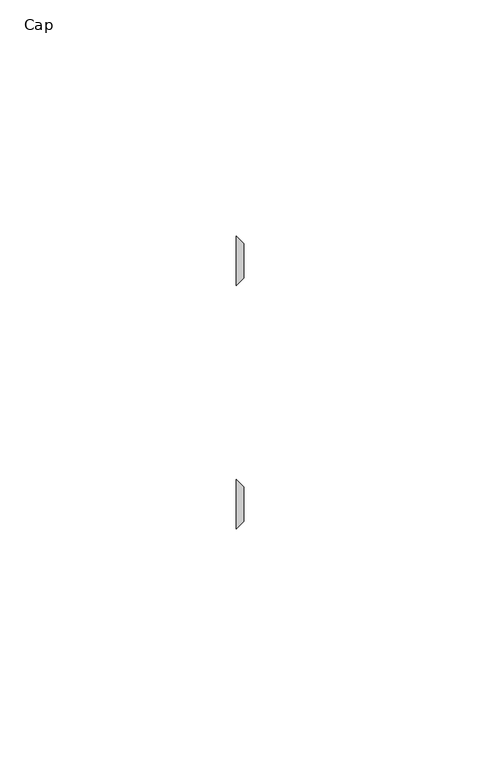
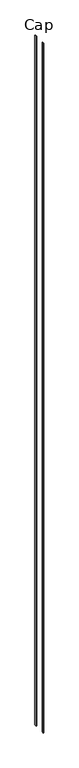
"""IFC4 building model written with IfcOpenShell, lengths in millimetres: furniture geometry, Cap."""

from ifc_helpers import new_model, si_unit, origin, origin_with_axes, place, context, project, spatial, polyline, outline, extrude, source, transform, mapped, element, save


def cap_63b13640(model_context):
    return source(origin(), model_context, "Body", "SweptSolid", [
        extrude(outline(polyline([(29.9771531, -15.5565637), (29.9771531, -5.0057854), (31.5646531, -6.5932854), (31.5646531, -13.9690637), (29.9771531, -15.5565637)])), origin_with_axes(), (0.0, 0.0, 1.0), 3048.0),
        extrude(outline(polyline([(29.9771531, 46.5601737), (31.5646531, 44.9726737), (31.5646531, 37.5968955), (29.9771531, 36.0093955), (29.9771531, 46.5601737)])), origin_with_axes(), (0.0, 0.0, 1.0), 3048.0),
    ])


if __name__ == "__main__":
    model = new_model("IFC4")
    model_context = context("Model", 3, world=origin())
    ifc_project = project(units=[si_unit("LENGTHUNIT", "METRE", prefix="MILLI")], contexts=[model_context])
    site = spatial("IfcSite", under=ifc_project)
    building = spatial("IfcBuilding", under=site)
    placement = place(None, origin())
    cap_shape = cap_63b13640(model_context)
    element("IfcFurniture", 1, ObjectType="Cap", at=placement, inside=building, context=model_context, shape_type="MappedRepresentation", body=[
        mapped(cap_shape, transform((0.0, 0.0, 0.0), x_axis=(1.0, 0.0, 0.0), y_axis=(0.0, 1.0, 0.0), z_axis=(0.0, 0.0, 1.0))),
    ])
    save(model, "model.ifc")
